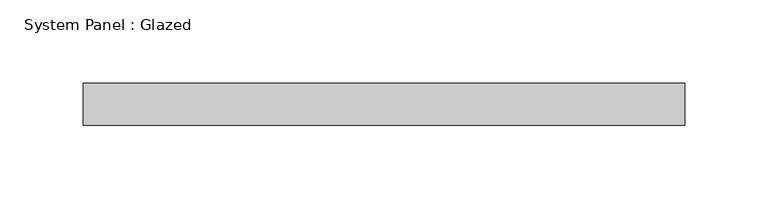
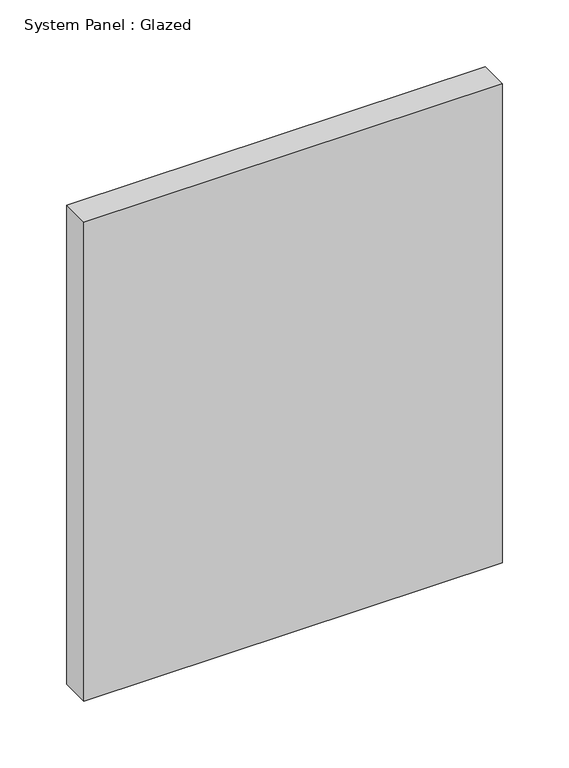
"""IFC4 building model written with IfcOpenShell, lengths in millimetres: plate geometry, System Panel : Glazed."""

from ifc_helpers import new_model, si_unit, origin, origin_with_axes, place, context, project, spatial, polyline, outline, extrude, source, transform, mapped, element, save


def system_panel_glazed_2e2b4222(model_context):
    return source(origin(), model_context, "Body", "SweptSolid", [
        extrude(outline(polyline([(180.975, 19.05), (-180.975, 19.05), (-180.975, 44.45), (180.975, 44.45), (180.975, 19.05)])), origin_with_axes(), (0.0, 0.0, 1.0), 438.15),
    ])


if __name__ == "__main__":
    model = new_model("IFC4")
    model_context = context("Model", 3, world=origin())
    ifc_project = project(units=[si_unit("LENGTHUNIT", "METRE", prefix="MILLI")], contexts=[model_context])
    site = spatial("IfcSite", under=ifc_project)
    building = spatial("IfcBuilding", under=site)
    placement = place(None, origin())
    system_panel_glazed_shape = system_panel_glazed_2e2b4222(model_context)
    element("IfcPlate", 1, ObjectType="System Panel : Glazed", at=placement, inside=building, context=model_context, shape_type="MappedRepresentation", body=[
        mapped(system_panel_glazed_shape, transform((0.0, 0.0, 0.0), x_axis=(1.0, 0.0, 0.0), y_axis=(0.0, 1.0, 0.0), z_axis=(0.0, 0.0, 1.0))),
    ])
    save(model, "model.ifc")
